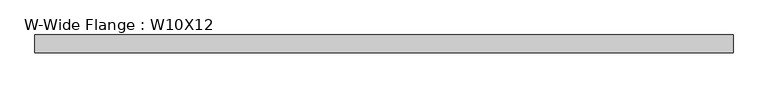
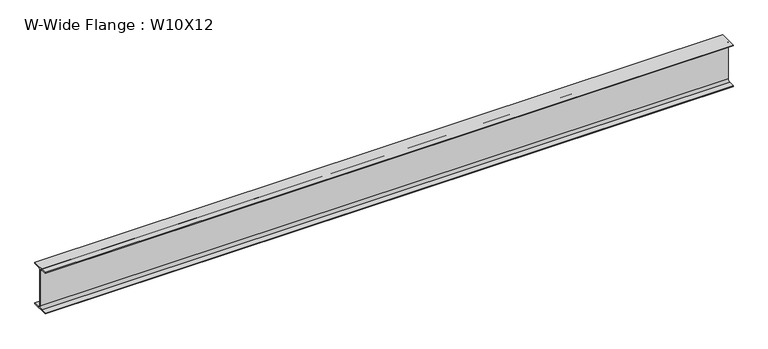
"""IFC4 building model written with IfcOpenShell, lengths in millimetres: beam geometry, W-Wide Flange : W10X12."""

from ifc_helpers import new_model, si_unit, point, frame, frame_2d, origin, place, context, project, spatial, polyline, circle_curve, trimmed, segment, composite_curve, outline, extrude, source, transform, mapped, element, save


def w_wide_flange_w10x12_94c2675b(model_context):
    return source(origin(), model_context, "Body", "SweptSolid", [
        extrude(outline(composite_curve([segment(polyline([(50.3039062, -120.0050781), (50.3039062, -125.3628906), (-50.3039063, -125.3628906), (-50.3039063, -120.0050781), (-16.1230469, -120.0050781)]), True, "CONTINUOUS"), segment(trimmed(circle_curve(frame_2d((-16.1230469, -106.3128906)), 13.6921875), [point((-16.1230469, -120.0050781))], [point((-2.4308594, -106.3128906))], True, "CARTESIAN"), True, "CONTINUOUS"), segment(polyline([(-2.4308594, -106.3128906), (-2.4308594, 106.3128906)]), True, "CONTINUOUS"), segment(trimmed(circle_curve(frame_2d((-16.1230469, 106.3128906)), 13.6921875), [point((-2.4308594, 106.3128906))], [point((-16.1230469, 120.0050781))], True, "CARTESIAN"), True, "CONTINUOUS"), segment(polyline([(-16.1230469, 120.0050781), (-50.3039063, 120.0050781), (-50.3039063, 125.3628906), (50.3039062, 125.3628906), (50.3039062, 120.0050781), (16.1230469, 120.0050781)]), True, "CONTINUOUS"), segment(trimmed(circle_curve(frame_2d((16.1230469, 106.3128906)), 13.6921875), [point((16.1230469, 120.0050781))], [point((2.4308594, 106.3128906))], True, "CARTESIAN"), True, "CONTINUOUS"), segment(polyline([(2.4308594, 106.3128906), (2.4308594, -106.3128906)]), True, "CONTINUOUS"), segment(trimmed(circle_curve(frame_2d((16.1230469, -106.3128906)), 13.6921875), [point((2.4308594, -106.3128906))], [point((16.1230469, -120.0050781))], True, "CARTESIAN"), True, "CONTINUOUS"), segment(polyline([(16.1230469, -120.0050781), (50.3039062, -120.0050781)]), True, "CONTINUOUS")], self_intersect=False)), frame((-1939.6769531, 0.0, 0.0), z_axis=(1.0, 0.0, 0.0), x_axis=(0.0, 1.0, 0.0)), (0.0, 0.0, 1.0), 3920.8769531),
    ])


if __name__ == "__main__":
    model = new_model("IFC4")
    model_context = context("Model", 3, world=origin())
    ifc_project = project(units=[si_unit("LENGTHUNIT", "METRE", prefix="MILLI")], contexts=[model_context])
    site = spatial("IfcSite", under=ifc_project)
    building = spatial("IfcBuilding", under=site)
    placement = place(None, origin())
    w_wide_flange_w10x12_shape = w_wide_flange_w10x12_94c2675b(model_context)
    element("IfcBeam", 1, ObjectType="W-Wide Flange : W10X12", at=placement, inside=building, context=model_context, shape_type="MappedRepresentation", body=[
        mapped(w_wide_flange_w10x12_shape, transform((0.0, 0.0, 0.0), x_axis=(1.0, 0.0, 0.0), y_axis=(0.0, 1.0, 0.0), z_axis=(0.0, 0.0, 1.0))),
    ])
    save(model, "model.ifc")
